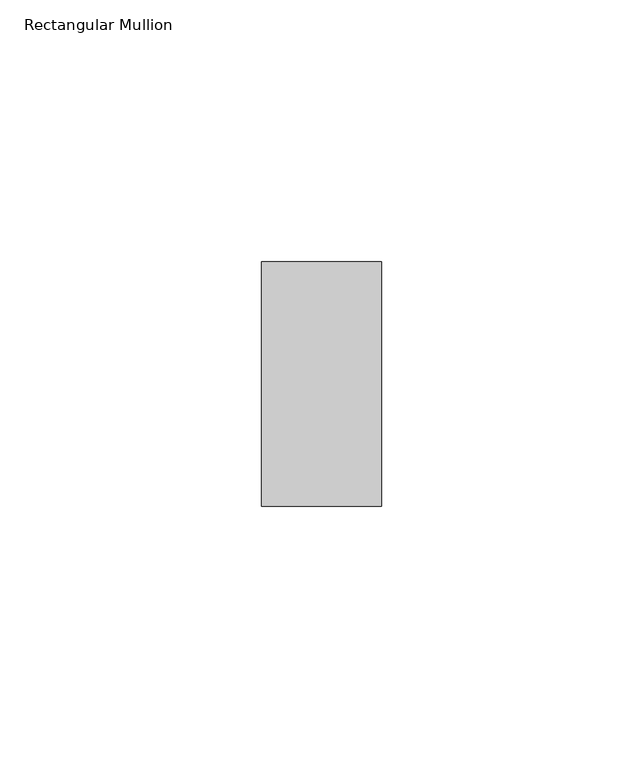
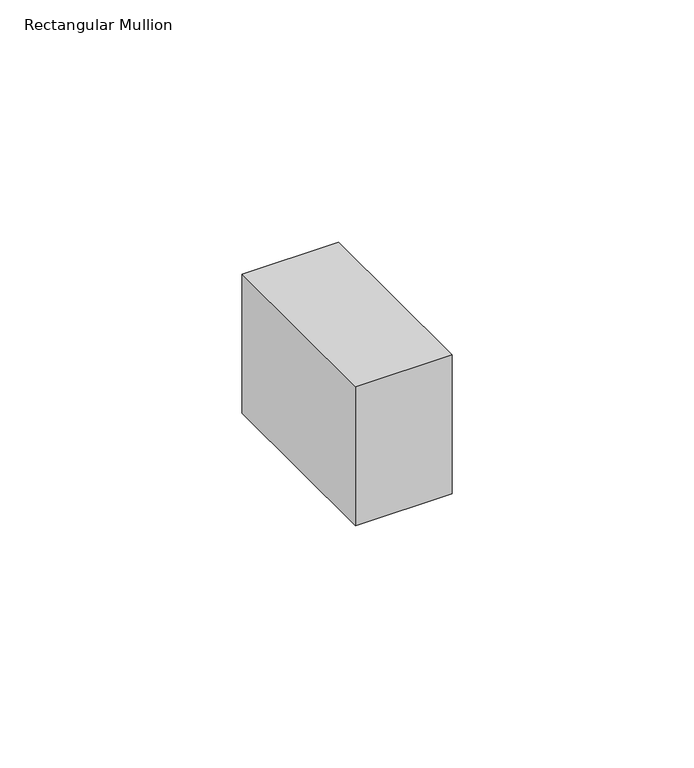
"""IFC4 building model written with IfcOpenShell, lengths in millimetres: member geometry, Rectangular Mullion."""

from ifc_helpers import new_model, si_unit, frame, origin, place, context, project, spatial, polyline, outline, extrude, source, transform, mapped, element, save


def rectangular_mullion_7ba1ac2d(model_context):
    return source(origin(), model_context, "Body", "SweptSolid", [
        extrude(outline(polyline([(0.0, -23.4), (-23.0, -23.4), (-23.0, 23.4), (0.0, 23.4), (0.0, -23.4)])), frame((0.0, 0.0, -35.0), z_axis=(0.0, 0.0, 1.0), x_axis=(1.0, 0.0, 0.0)), (0.0, 0.0, 1.0), 35.0),
    ])


if __name__ == "__main__":
    model = new_model("IFC4")
    model_context = context("Model", 3, world=origin())
    ifc_project = project(units=[si_unit("LENGTHUNIT", "METRE", prefix="MILLI")], contexts=[model_context])
    site = spatial("IfcSite", under=ifc_project)
    building = spatial("IfcBuilding", under=site)
    placement = place(None, origin())
    rectangular_mullion_shape = rectangular_mullion_7ba1ac2d(model_context)
    element("IfcMember", 1, ObjectType="Rectangular Mullion", at=placement, inside=building, context=model_context, shape_type="MappedRepresentation", body=[
        mapped(rectangular_mullion_shape, transform((0.0, 0.0, 0.0), x_axis=(1.0, 0.0, 0.0), y_axis=(0.0, 1.0, 0.0), z_axis=(0.0, 0.0, 1.0))),
    ])
    save(model, "model.ifc")
